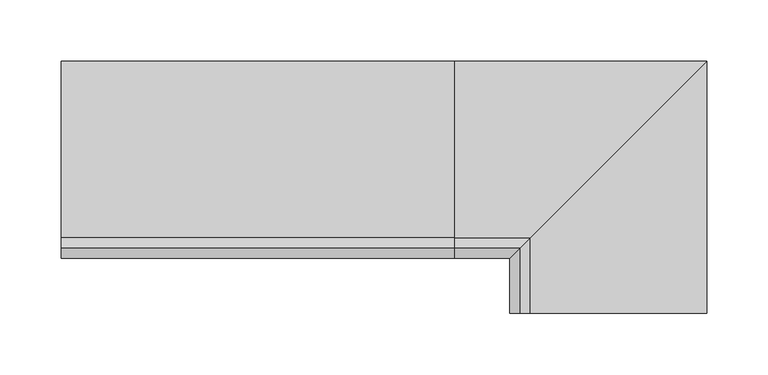
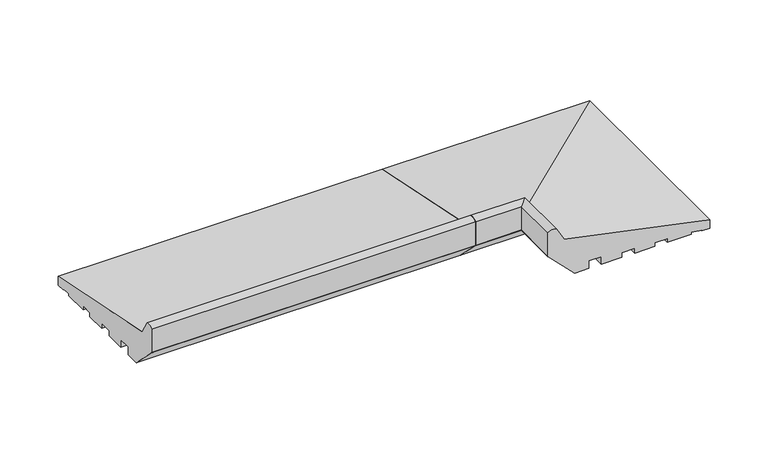
"""IFC4 building model written with IfcOpenShell, lengths in millimetres: proxy geometry."""

import ifcopenshell
import ifcopenshell.guid

model = None  # the IFC model being written
_history = None  # IfcOwnerHistory: only IFC2X3 demands one
_inside = {}  # id of a spatial element -> (the spatial element, [elements in it])
_under = {}  # id of a project, library or spatial element -> (it, [spatial elements below it])
_declared = {}  # id of a project -> (the project, [libraries it declares])
_typed = {}  # id of a type object -> (the type object, [elements of that type])
_made_of = {}  # id of a material, layer set ... -> (it, [elements and type objects made of it])


def new_model(schema):
    """Start an empty IFC model of exactly this schema.

    Asked for "IFC4X3", IfcOpenShell would pick the latest addendum, in which some entities
    have other attributes; the version numbers below select the first issue.
    IFC2X3 requires an IfcOwnerHistory on every rooted entity: one is made here for all.
    """
    global model, _history
    if schema == "IFC4X3":
        model = ifcopenshell.file(schema_version=(4, 3, 0, 0))
    else:
        model = ifcopenshell.file(schema=schema)
    _inside.clear()
    _under.clear()
    _declared.clear()
    _typed.clear()
    _made_of.clear()
    _history = None
    if model.schema == "IFC2X3":
        org = make("IfcOrganization", Name="unknown")
        user = make(
            "IfcPersonAndOrganization",
            ThePerson=make("IfcPerson", FamilyName="unknown"),
            TheOrganization=org,
        )
        app = make(
            "IfcApplication",
            ApplicationDeveloper=org,
            Version="unknown",
            ApplicationFullName="unknown",
            ApplicationIdentifier="unknown",
        )
        _history = make(
            "IfcOwnerHistory",
            OwningUser=user,
            OwningApplication=app,
            ChangeAction="ADDED",
            CreationDate=0,
        )
    return model


def make(cls, **values):
    """One entity of the class cls with the attributes given. An attribute that is None is left unset."""
    return model.create_entity(
        cls, **{name: value for name, value in values.items() if value is not None}
    )


def rooted(cls, **values):
    """An entity with a GlobalId (a new one), such as an element, a storey or a relation."""
    return make(cls, GlobalId=ifcopenshell.guid.new(), OwnerHistory=_history, **values)


def si_unit(unit_type, name, prefix=None):
    """IfcSIUnit, for example si_unit("LENGTHUNIT", "METRE", prefix="MILLI")."""
    return make("IfcSIUnit", UnitType=unit_type, Prefix=prefix, Name=name)


def assignment(units):
    """IfcUnitAssignment: the units of a project."""
    return None if units is None else make("IfcUnitAssignment", Units=units)


def point(xyz):
    """IfcCartesianPoint."""
    return None if xyz is None else make("IfcCartesianPoint", Coordinates=xyz)


def direction(xyz):
    """IfcDirection."""
    return None if xyz is None else make("IfcDirection", DirectionRatios=xyz)


def frame(location, z_axis=None, x_axis=None):
    """IfcAxis2Placement3D, a coordinate frame: its origin and axes. An axis left out is left unset."""
    return make(
        "IfcAxis2Placement3D",
        Location=point(location),
        Axis=direction(z_axis),
        RefDirection=direction(x_axis),
    )


def frame_2d(location, x_axis=None):
    """IfcAxis2Placement2D, a coordinate frame in the plane: its origin and x axis."""
    return make(
        "IfcAxis2Placement2D", Location=point(location), RefDirection=direction(x_axis)
    )


def origin():
    """The frame at (0, 0, 0) with its axes left unset."""
    return frame((0.0, 0.0, 0.0))


def place(relative_to, where):
    """IfcLocalPlacement: puts the frame where relative to a parent placement (None: the world)."""
    return make(
        "IfcLocalPlacement", PlacementRelTo=relative_to, RelativePlacement=where
    )


def context(
    kind, dimensions, precision=None, world=None, true_north=None, identifier=None
):
    """IfcGeometricRepresentationContext, for example the 3D "Model" context."""
    return make(
        "IfcGeometricRepresentationContext",
        ContextIdentifier=identifier,
        ContextType=kind,
        CoordinateSpaceDimension=dimensions,
        Precision=precision,
        WorldCoordinateSystem=world,
        TrueNorth=true_north,
    )


def project(units=None, contexts=None):
    """IfcProject with its units and contexts."""
    return rooted(
        "IfcProject",
        Name="project",
        RepresentationContexts=contexts,
        UnitsInContext=assignment(units),
    )


def spatial(cls, under=None, at=None, **own):
    """A site, building, storey or space (cls), placed at a placement, below another one or the project."""
    s = rooted(cls, ObjectPlacement=at, **own)
    if under is not None:
        _under.setdefault(under.id(), (under, []))[1].append(s)
    return s


def polyline(points):
    """IfcPolyline through the points."""
    return make("IfcPolyline", Points=[point(p) for p in points])


def circle_curve(where, radius):
    """IfcCircle in the frame where."""
    return make("IfcCircle", Position=where, Radius=radius)


def ellipse_curve(where, semi_axis1, semi_axis2):
    """IfcEllipse in the frame where."""
    return make(
        "IfcEllipse", Position=where, SemiAxis1=semi_axis1, SemiAxis2=semi_axis2
    )


def trimmed(basis, trim1, trim2, sense, master):
    """IfcTrimmedCurve: the piece of a basis curve between two trims."""
    return make(
        "IfcTrimmedCurve",
        BasisCurve=basis,
        Trim1=trim1,
        Trim2=trim2,
        SenseAgreement=sense,
        MasterRepresentation=master,
    )


def segment(curve, same_sense, transition):
    """IfcCompositeCurveSegment."""
    return make(
        "IfcCompositeCurveSegment",
        Transition=transition,
        SameSense=same_sense,
        ParentCurve=curve,
    )


def composite_curve(segments, self_intersect=None):
    """IfcCompositeCurve: segments joined end to end."""
    return make("IfcCompositeCurve", Segments=segments, SelfIntersect=self_intersect)


def outline(outer, holes=None, kind="AREA"):
    """IfcArbitraryClosedProfileDef: a profile drawn as a closed curve; with holes, ...WithVoids."""
    if holes is None:
        return make("IfcArbitraryClosedProfileDef", ProfileType=kind, OuterCurve=outer)
    return make(
        "IfcArbitraryProfileDefWithVoids",
        ProfileType=kind,
        OuterCurve=outer,
        InnerCurves=holes,
    )


def extrude(swept, where, along, depth):
    """IfcExtrudedAreaSolid: the profile swept, set in the frame where, extruded along a direction by depth."""
    return make(
        "IfcExtrudedAreaSolid",
        SweptArea=swept,
        Position=where,
        ExtrudedDirection=direction(along),
        Depth=depth,
    )


def shape(context_of_items, identifier, shape_type, items):
    """IfcShapeRepresentation: the items that make up one representation, for example the "Body"."""
    return make(
        "IfcShapeRepresentation",
        ContextOfItems=context_of_items,
        RepresentationIdentifier=identifier,
        RepresentationType=shape_type,
        Items=items,
    )


def source(mapping_origin, context_of_items, identifier, shape_type, items):
    """IfcRepresentationMap: a shape defined once, which mapped items show again and again."""
    return make(
        "IfcRepresentationMap",
        MappingOrigin=mapping_origin,
        MappedRepresentation=shape(context_of_items, identifier, shape_type, items),
    )


def transform(
    local_origin,
    x_axis=None,
    y_axis=None,
    z_axis=None,
    scale=None,
    scale2=None,
    scale3=None,
    uniform=True,
):
    """IfcCartesianTransformationOperator3D, or its non-uniform kind. x_axis, y_axis, z_axis: its Axis1, 2, 3."""
    if uniform:
        return make(
            "IfcCartesianTransformationOperator3D",
            Axis1=direction(x_axis),
            Axis2=direction(y_axis),
            LocalOrigin=point(local_origin),
            Scale=scale,
            Axis3=direction(z_axis),
        )
    return make(
        "IfcCartesianTransformationOperator3DnonUniform",
        Axis1=direction(x_axis),
        Axis2=direction(y_axis),
        LocalOrigin=point(local_origin),
        Scale=scale,
        Axis3=direction(z_axis),
        Scale2=scale2,
        Scale3=scale3,
    )


def mapped(mapping_source, mapping_target):
    """IfcMappedItem: shows the shape of a source again, moved by a transform."""
    return make(
        "IfcMappedItem", MappingSource=mapping_source, MappingTarget=mapping_target
    )


def made_of(thing, what):
    """Note that an element or type object is made of a material, layer set ...; save() writes the relation."""
    if what is not None:
        _made_of.setdefault(what.id(), (what, []))[1].append(thing)
    return thing


def element(
    cls,
    number,
    at=None,
    inside=None,
    cuts=None,
    type_object=None,
    material=None,
    context=None,
    identifier="Body",
    shape_type=None,
    held_by="IfcProductDefinitionShape",
    body=None,
    shapes=None,
    **own,
):
    """One element of the class cls, such as IfcWall. Its Tag is "e" and its number.

    at: its placement. inside: the storey or other place that contains it. cuts: it is an
    opening in that element (IfcRelVoidsElement). A single representation is given by context,
    identifier, shape_type and body (its items); several are given by shapes. held_by: the class
    of the entity that holds the representations. save() writes the other relations.
    """
    e = rooted(cls, Tag="e%d" % number, ObjectPlacement=at, **own)
    if body is not None:
        shapes = [shape(context, identifier, shape_type, body)]
    if shapes is not None:
        e.Representation = make(held_by, Representations=shapes)
    if inside is not None:
        _inside.setdefault(inside.id(), (inside, []))[1].append(e)
    if cuts is not None:
        rooted(
            "IfcRelVoidsElement", RelatingBuildingElement=cuts, RelatedOpeningElement=e
        )
    if type_object is not None:
        _typed.setdefault(type_object.id(), (type_object, []))[1].append(e)
    return made_of(e, material)


def aggregate(whole, parts):
    """IfcRelAggregates: a whole, such as a stair, and the parts it consists of."""
    return rooted("IfcRelAggregates", RelatingObject=whole, RelatedObjects=parts)


def save(model, path):
    """Write the relations noted so far, then the file.

    IfcRelAggregates (storeys below a building ...), IfcRelContainedInSpatialStructure (elements
    in a storey), IfcRelDefinesByType, IfcRelAssociatesMaterial and IfcRelDeclares: one each for
    every whole, place, type object, material and project.
    """
    for whole, parts in _under.values():
        aggregate(whole, parts)
    for where, things in _inside.values():
        rooted(
            "IfcRelContainedInSpatialStructure",
            RelatedElements=things,
            RelatingStructure=where,
        )
    for kind, things in _typed.values():
        rooted("IfcRelDefinesByType", RelatedObjects=things, RelatingType=kind)
    for what, things in _made_of.values():
        rooted("IfcRelAssociatesMaterial", RelatedObjects=things, RelatingMaterial=what)
    for by, libraries in _declared.values():
        rooted("IfcRelDeclares", RelatingContext=by, RelatedDefinitions=libraries)
    model.write(path)


def plane_surface(at):
    """IfcPlane: the flat surface through the origin of the frame at, square to its z axis."""
    return make("IfcPlane", Position=at)


def cylinder_surface(at, radius):
    """IfcCylindricalSurface: all points at the distance radius from the z axis of the frame at."""
    return make("IfcCylindricalSurface", Position=at, Radius=radius)


def advanced_brep(points, edges, surfaces, faces):
    """IfcAdvancedBrep: a solid bounded by faces that lie on surfaces and meet in shared edges.

    An edge is (start, end): straight between two places in points (the first is 0);
    or (start, end, curve); or (start, end, curve, False) where it runs against its curve.
    A face is (place in surfaces, loops), or (place, loops, False) where it looks against
    its surface's normal. A loop lists edges by number (the first is 1), with a minus sign
    where the edge is run from its end to its start. The first loop is the outer one.
    """
    corners = [point(p) for p in points]
    vertices = [make("IfcVertexPoint", VertexGeometry=c) for c in corners]
    made = []
    for start, end, *more in edges:
        made.append(
            make(
                "IfcEdgeCurve",
                EdgeStart=vertices[start],
                EdgeEnd=vertices[end],
                EdgeGeometry=more[0] if more else make("IfcPolyline", Points=[corners[start], corners[end]]),
                SameSense=more[1] if len(more) > 1 else True,
            )
        )
    hull = []
    for where, loops, *sense in faces:
        bounds = []
        for j, loop in enumerate(loops):
            ring = [make("IfcOrientedEdge", EdgeElement=made[abs(k) - 1], Orientation=k > 0) for k in loop]
            bounds.append(
                make(
                    "IfcFaceOuterBound" if j == 0 else "IfcFaceBound",
                    Bound=make("IfcEdgeLoop", EdgeList=ring),
                    Orientation=True,
                )
            )
        hull.append(make("IfcAdvancedFace", Bounds=bounds, FaceSurface=surfaces[where], SameSense=sense[0] if sense else True))
    return make("IfcAdvancedBrep", Outer=make("IfcClosedShell", CfsFaces=hull))


def generic_models_c9eb58cf(model_context):
    return source(origin(), model_context, "Body", "SolidModel", [
        advanced_brep(
        [(320.0, 16.9634146, 2.0714803), (320.0, 16.9634146, 0.0), (320.0, -7.0449052, 0.0), (320.0, -7.0449052, 4.0148089), (320.0, -18.9957985, 4.0148089), (320.0, -18.9957985, 0.0), (320.0, -38.9970202, 0.0), (320.0, -38.9970202, 5.0), (320.0, -51.9659993, 5.0), (320.0, -51.9659993, 0.0), (320.0, -71.9994005, 0.0), (320.0, -71.9994005, 7.9636602), (320.0, -84.3282852, 7.9636602), (320.0, -84.3282852, 0.0), (320.0, -98.3331279, 0.0), (320.0, -124.2741015, 25.9409736), (320.0, -125.0, 27.0076366), (320.0, -125.0, 51.2355304), (320.0, -116.6949035, 52.9234409), (320.0, -108.4970481, 38.6463845), (320.0, 35.0, 9.1871592), (320.0, 35.0, 0.0), (320.0, 27.0536769, 0.0), (320.0, 27.0536769, 0.9956448), (506.9634146, -170.0, 2.0714803), (517.0536769, -170.0, 0.9956448), (517.0536769, -170.0, 0.0), (525.0, -170.0, 0.0), (525.0, -170.0, 9.1871592), (381.5029519, -170.0, 38.6463845), (373.3050965, -170.0, 52.9234409), (365.0, -170.0, 51.2355304), (365.0, -170.0, 27.0076366), (365.7258985, -170.0, 25.9409736), (391.6668721, -170.0, 0.0), (405.6717148, -170.0, 0.0), (405.6717148, -170.0, 7.9636602), (418.0005995, -170.0, 7.9636602), (418.0005995, -170.0, 0.0), (438.0340007, -170.0, 0.0), (438.0340007, -170.0, 5.0), (451.0029798, -170.0, 5.0), (451.0029798, -170.0, 0.0), (471.0042015, -170.0, 0.0), (471.0042015, -170.0, 4.0148089), (482.9550948, -170.0, 4.0148089), (482.9550948, -170.0, 0.0), (506.9634146, -170.0, 0.0), (517.0536769, 27.0536769, 0.9956448), (506.9634146, 16.9634146, 2.0714803), (525.0, 35.0, 9.1871592), (525.0, 35.0, 0.0), (517.0536769, 27.0536769, 0.0), (381.5029519, -108.4970481, 38.6463845), (373.3050965, -116.6949035, 52.9234409), (365.0, -125.0, 51.2355304), (365.0, -125.0, 27.0076366), (365.7258985, -124.2741015, 25.9409736), (391.6668721, -98.3331279, 0.0), (405.6717148, -84.3282852, 0.0), (405.6717148, -84.3282852, 7.9636602), (418.0005995, -71.9994005, 7.9636602), (418.0005995, -71.9994005, 0.0), (438.0340007, -51.9659993, 0.0), (438.0340007, -51.9659993, 5.0), (451.0029798, -38.9970202, 5.0), (451.0029798, -38.9970202, 0.0), (471.0042015, -18.9957985, 0.0), (471.0042015, -18.9957985, 4.0148089), (482.9550948, -7.0449052, 4.0148089), (482.9550948, -7.0449052, 0.0), (506.9634146, 16.9634146, 0.0)],
        [
            (0, 1),
            (1, 2),
            (2, 3),
            (3, 4),
            (4, 5),
            (5, 6),
            (6, 7),
            (7, 8),
            (8, 9),
            (9, 10),
            (10, 11),
            (11, 12),
            (12, 13),
            (13, 14),
            (14, 15),
            (15, 16, circle_curve(frame((320.0, -121.8315077, 28.3835674), z_axis=(-1.0, 0.0, 0.0), x_axis=(0.0, 1.0, 0.0)), 3.4543493)),
            (16, 17),
            (17, 18, circle_curve(frame((320.0, -118.9446027, 42.7168184), z_axis=(-1.0, 0.0, 0.0), x_axis=(0.0, 1.0, 0.0)), 10.4516166)),
            (18, 19),
            (19, 20),
            (20, 21),
            (21, 22),
            (22, 23),
            (23, 0),
            (24, 25),
            (25, 26),
            (26, 27),
            (27, 28),
            (28, 29),
            (29, 30),
            (30, 31, circle_curve(frame((371.0553973, -170.0, 42.7168184), z_axis=(0.0, -1.0, 0.0), x_axis=(1.0, 0.0, 0.0)), 10.4516166)),
            (31, 32),
            (32, 33, circle_curve(frame((368.1684923, -170.0, 28.3835674), z_axis=(0.0, -1.0, 0.0), x_axis=(1.0, 0.0, 0.0)), 3.4543493)),
            (33, 34),
            (34, 35),
            (35, 36),
            (36, 37),
            (37, 38),
            (38, 39),
            (39, 40),
            (40, 41),
            (41, 42),
            (42, 43),
            (43, 44),
            (44, 45),
            (45, 46),
            (46, 47),
            (47, 24),
            (23, 48),
            (48, 49),
            (49, 0),
            (20, 50),
            (50, 51),
            (51, 21),
            (51, 27),
            (26, 52),
            (52, 22),
            (52, 48),
            (19, 53),
            (53, 50),
            (18, 54),
            (54, 53),
            (17, 55),
            (55, 54, ellipse_curve(frame((371.0553973, -118.9446027, 42.7168184), z_axis=(-0.7071067811865492, 0.7071067811865458, 0.0), x_axis=(-0.7071067811865458, -0.7071067811865491, 0.0)), 14.780818, 10.4516166)),
            (16, 56),
            (56, 55),
            (15, 57),
            (57, 56, ellipse_curve(frame((368.1684923, -121.8315077, 28.3835674), z_axis=(-0.7071067811865492, 0.7071067811865458, 0.0), x_axis=(-0.7071067811865458, -0.7071067811865491, 0.0)), 4.8851877, 3.4543493)),
            (14, 58),
            (58, 57),
            (13, 59),
            (59, 35),
            (34, 58),
            (12, 60),
            (60, 59),
            (11, 61),
            (61, 37),
            (36, 60),
            (10, 62),
            (62, 61),
            (9, 63),
            (63, 39),
            (38, 62),
            (8, 64),
            (64, 63),
            (7, 65),
            (65, 41),
            (40, 64),
            (6, 66),
            (66, 65),
            (5, 67),
            (67, 43),
            (42, 66),
            (4, 68),
            (68, 67),
            (3, 69),
            (69, 45),
            (44, 68),
            (2, 70),
            (70, 69),
            (1, 71),
            (71, 47),
            (46, 70),
            (49, 71),
            (48, 25),
            (24, 49),
            (50, 28),
            (53, 29),
            (54, 30),
            (55, 31),
            (56, 32),
            (57, 33),
        ],
        [
            plane_surface(frame((320.0, 35.0, 0.0), z_axis=(-1.0, 0.0, 0.0), x_axis=(0.0, 0.0, 1.0))),
            plane_surface(frame((525.0, -170.0, 0.0), z_axis=(0.0, -1.0, 0.0), x_axis=(0.0, 0.0, 1.0))),
            plane_surface(frame((320.0, 16.9634146, 2.0714803), z_axis=(0.0, -0.10602024100591773, -0.9943639718418237), x_axis=(1.0, 0.0, 0.0))),
            plane_surface(frame((320.0, 35.0, 0.0), z_axis=(0.0, 1.0, 0.0), x_axis=(1.0, 0.0, 0.0))),
            plane_surface(frame((320.0, 27.0536769, 0.0), z_axis=(0.0, 0.0, -1.0), x_axis=(1.0, 0.0, 0.0))),
            plane_surface(frame((320.0, 27.0536769, 0.9956448), z_axis=(0.0, -1.0, 0.0), x_axis=(1.0, 0.0, 0.0))),
            plane_surface(frame((320.0, 35.0, 9.1871592), z_axis=(0.0, 0.20110092371128924, 0.9795705275693355), x_axis=(1.0, 0.0, 0.0))),
            plane_surface(frame((320.0, -108.4970481, 38.6463845), z_axis=(0.0, 0.867206740138978, 0.49794826022140815), x_axis=(1.0, 0.0, 0.0))),
            cylinder_surface(frame((320.0, -118.9446027, 42.7168184), z_axis=(-1.0, 0.0, 0.0), x_axis=(0.0, 1.0, 0.0)), 10.4516166),
            plane_surface(frame((320.0, -125.0, 51.2355304), z_axis=(0.0, -1.0, 0.0), x_axis=(1.0, 0.0, 0.0))),
            cylinder_surface(frame((320.0, -121.8315077, 28.3835674), z_axis=(-1.0, 0.0, 0.0), x_axis=(0.0, 1.0, 0.0)), 3.4543493),
            plane_surface(frame((320.0, -124.2741015, 25.9409736), z_axis=(0.0, -0.7071067811865471, -0.707106781186548), x_axis=(1.0, 0.0, 0.0))),
            plane_surface(frame((320.0, -98.3331279, 0.0), z_axis=(0.0, 0.0, -1.0), x_axis=(1.0, 0.0, 0.0))),
            plane_surface(frame((320.0, -84.3282852, 0.0), z_axis=(0.0, 1.0, 0.0), x_axis=(1.0, 0.0, 0.0))),
            plane_surface(frame((320.0, -84.3282852, 7.9636602), z_axis=(0.0, 0.0, -1.0), x_axis=(1.0, 0.0, 0.0))),
            plane_surface(frame((320.0, -71.9994005, 7.9636602), z_axis=(0.0, -1.0, 0.0), x_axis=(1.0, 0.0, 0.0))),
            plane_surface(frame((320.0, -71.9994005, 0.0), z_axis=(0.0, 0.0, -1.0), x_axis=(1.0, 0.0, 0.0))),
            plane_surface(frame((320.0, -51.9659993, 0.0), z_axis=(0.0, 1.0, 0.0), x_axis=(1.0, 0.0, 0.0))),
            plane_surface(frame((320.0, -51.9659993, 5.0), z_axis=(0.0, 0.0, -1.0), x_axis=(1.0, 0.0, 0.0))),
            plane_surface(frame((320.0, -38.9970202, 5.0), z_axis=(0.0, -1.0, 0.0), x_axis=(1.0, 0.0, 0.0))),
            plane_surface(frame((320.0, -38.9970202, 0.0), z_axis=(0.0, 0.0, -1.0), x_axis=(1.0, 0.0, 0.0))),
            plane_surface(frame((320.0, -18.9957985, 0.0), z_axis=(0.0, 1.0, 0.0), x_axis=(1.0, 0.0, 0.0))),
            plane_surface(frame((320.0, -18.9957985, 4.0148089), z_axis=(0.0, 0.0, -1.0), x_axis=(1.0, 0.0, 0.0))),
            plane_surface(frame((320.0, -7.0449052, 4.0148089), z_axis=(0.0, -1.0, 0.0), x_axis=(1.0, 0.0, 0.0))),
            plane_surface(frame((320.0, -7.0449052, 0.0), z_axis=(0.0, 0.0, -1.0), x_axis=(1.0, 0.0, 0.0))),
            plane_surface(frame((320.0, 16.9634146, 0.0), z_axis=(0.0, 1.0, 0.0), x_axis=(1.0, 0.0, 0.0))),
            plane_surface(frame((506.9634146, 16.9634146, 2.0714803), z_axis=(-0.1060202410059177, 0.0, -0.9943639718418237), x_axis=(0.0, -1.0, 0.0))),
            plane_surface(frame((525.0, 35.0, 0.0), z_axis=(1.0, 0.0, 0.0), x_axis=(0.0, -1.0, 0.0))),
            plane_surface(frame((517.0536769, 27.0536769, 0.9956448), z_axis=(-1.0, 0.0, 0.0), x_axis=(0.0, -1.0, 0.0))),
            plane_surface(frame((525.0, 35.0, 9.1871592), z_axis=(0.20110092371128918, 0.0, 0.9795705275693355), x_axis=(0.0, -1.0, 0.0))),
            plane_surface(frame((381.5029519, -108.4970481, 38.6463845), z_axis=(0.867206740138978, 0.0, 0.49794826022140826), x_axis=(0.0, -1.0, 0.0))),
            cylinder_surface(frame((371.0553973, 35.0, 42.7168184), z_axis=(0.0, 1.0, 0.0), x_axis=(1.0, 0.0, 0.0)), 10.4516166),
            plane_surface(frame((365.0, -125.0, 51.2355304), z_axis=(-1.0, 0.0, 0.0), x_axis=(0.0, -1.0, 0.0))),
            cylinder_surface(frame((368.1684923, 35.0, 28.3835674), z_axis=(0.0, 1.0, 0.0), x_axis=(1.0, 0.0, 0.0)), 3.4543493),
            plane_surface(frame((365.7258985, -124.2741015, 25.9409736), z_axis=(-0.707106781186547, 0.0, -0.707106781186548), x_axis=(0.0, -1.0, 0.0))),
            plane_surface(frame((405.6717148, -84.3282852, 0.0), z_axis=(1.0, 0.0, 0.0), x_axis=(0.0, -1.0, 0.0))),
            plane_surface(frame((418.0005995, -71.9994005, 7.9636602), z_axis=(-1.0, 0.0, 0.0), x_axis=(0.0, -1.0, 0.0))),
            plane_surface(frame((438.0340007, -51.9659993, 0.0), z_axis=(1.0, 0.0, 0.0), x_axis=(0.0, -1.0, 0.0))),
            plane_surface(frame((451.0029798, -38.9970202, 5.0), z_axis=(-1.0, 0.0, 0.0), x_axis=(0.0, -1.0, 0.0))),
            plane_surface(frame((471.0042015, -18.9957985, 0.0), z_axis=(1.0, 0.0, 0.0), x_axis=(0.0, -1.0, 0.0))),
            plane_surface(frame((482.9550948, -7.0449052, 4.0148089), z_axis=(-1.0, 0.0, 0.0), x_axis=(0.0, -1.0, 0.0))),
            plane_surface(frame((506.9634146, 16.9634146, 0.0), z_axis=(1.0, 0.0, 0.0), x_axis=(0.0, -1.0, 0.0))),
        ],
        [
            (0, [[1, 2, 3, 4, 5, 6, 7, 8, 9, 10, 11, 12, 13, 14, 15, 16, 17, 18, 19, 20, 21, 22, 23, 24]]),
            (1, [[25, 26, 27, 28, 29, 30, 31, 32, 33, 34, 35, 36, 37, 38, 39, 40, 41, 42, 43, 44, 45, 46, 47, 48]]),
            (2, [[49, 50, 51, -24]]),
            (3, [[52, 53, 54, -21]]),
            (4, [[-54, 55, -27, 56, 57, -22]]),
            (5, [[-57, 58, -49, -23]]),
            (6, [[59, 60, -52, -20]]),
            (7, [[61, 62, -59, -19]]),
            (8, [[63, 64, -61, -18]]),
            (9, [[65, 66, -63, -17]]),
            (10, [[67, 68, -65, -16]]),
            (11, [[69, 70, -67, -15]]),
            (12, [[71, 72, -35, 73, -69, -14]]),
            (13, [[74, 75, -71, -13]]),
            (14, [[76, 77, -37, 78, -74, -12]]),
            (15, [[79, 80, -76, -11]]),
            (16, [[81, 82, -39, 83, -79, -10]]),
            (17, [[84, 85, -81, -9]]),
            (18, [[86, 87, -41, 88, -84, -8]]),
            (19, [[89, 90, -86, -7]]),
            (20, [[91, 92, -43, 93, -89, -6]]),
            (21, [[94, 95, -91, -5]]),
            (22, [[96, 97, -45, 98, -94, -4]]),
            (23, [[99, 100, -96, -3]]),
            (24, [[101, 102, -47, 103, -99, -2]]),
            (25, [[-51, 104, -101, -1]]),
            (26, [[105, -25, 106, -50]]),
            (27, [[107, -28, -55, -53]]),
            (28, [[-56, -26, -105, -58]]),
            (29, [[108, -29, -107, -60]]),
            (30, [[109, -30, -108, -62]]),
            (31, [[110, -31, -109, -64]]),
            (32, [[111, -32, -110, -66]]),
            (33, [[112, -33, -111, -68]]),
            (34, [[-73, -34, -112, -70]]),
            (35, [[-78, -36, -72, -75]]),
            (36, [[-83, -38, -77, -80]]),
            (37, [[-88, -40, -82, -85]]),
            (38, [[-93, -42, -87, -90]]),
            (39, [[-98, -44, -92, -95]]),
            (40, [[-103, -46, -97, -100]]),
            (41, [[-106, -48, -102, -104]]),
        ],
    ),
        extrude(outline(composite_curve([segment(polyline([(16.9634146, 2.0714803), (16.9634146, 0.0), (-7.0449052, 0.0), (-7.0449052, 4.0148089), (-18.9957985, 4.0148089), (-18.9957985, 0.0), (-38.9970202, 0.0), (-38.9970202, 5.0), (-51.9659993, 5.0), (-51.9659993, 0.0), (-71.9994005, 0.0), (-71.9994005, 7.9636602), (-84.3282852, 7.9636602), (-84.3282852, 0.0), (-98.3331279, 0.0), (-124.2741015, 25.9409736)]), True, "CONTINUOUS"), segment(trimmed(circle_curve(frame_2d((-121.8315077, 28.3835674)), 3.4543493), [point((-124.2741015, 25.9409736))], [point((-125.0, 27.0076366))], False, "CARTESIAN"), True, "CONTINUOUS"), segment(polyline([(-125.0, 27.0076366), (-125.0, 51.2355304)]), True, "CONTINUOUS"), segment(trimmed(circle_curve(frame_2d((-118.9446027, 42.7168184)), 10.4516166), [point((-125.0, 51.2355304))], [point((-116.6949035, 52.9234409))], False, "CARTESIAN"), True, "CONTINUOUS"), segment(polyline([(-116.6949035, 52.9234409), (-108.4970481, 38.6463845), (35.0, 9.1871592), (35.0, 0.0), (27.0536769, 0.0), (27.0536769, 0.9956448), (16.9634146, 2.0714803)]), True, "CONTINUOUS")], self_intersect=False)), frame((0.0, 0.0, 0.0), z_axis=(1.0, 0.0, 0.0), x_axis=(0.0, 1.0, 0.0)), (0.0, 0.0, 1.0), 320.0),
    ])


if __name__ == "__main__":
    model = new_model("IFC4")
    model_context = context("Model", 3, world=origin())
    ifc_project = project(units=[si_unit("LENGTHUNIT", "METRE", prefix="MILLI")], contexts=[model_context])
    site = spatial("IfcSite", under=ifc_project)
    building = spatial("IfcBuilding", under=site)
    placement = place(None, origin())
    generic_models_shape = generic_models_c9eb58cf(model_context)
    element("IfcBuildingElementProxy", 1, Name="Generic Models", at=placement, inside=building, context=model_context, shape_type="MappedRepresentation", body=[
        mapped(generic_models_shape, transform((0.0, 0.0, 0.0), x_axis=(1.0, 0.0, 0.0), y_axis=(0.0, 1.0, 0.0), z_axis=(0.0, 0.0, 1.0))),
    ])
    save(model, "model.ifc")
